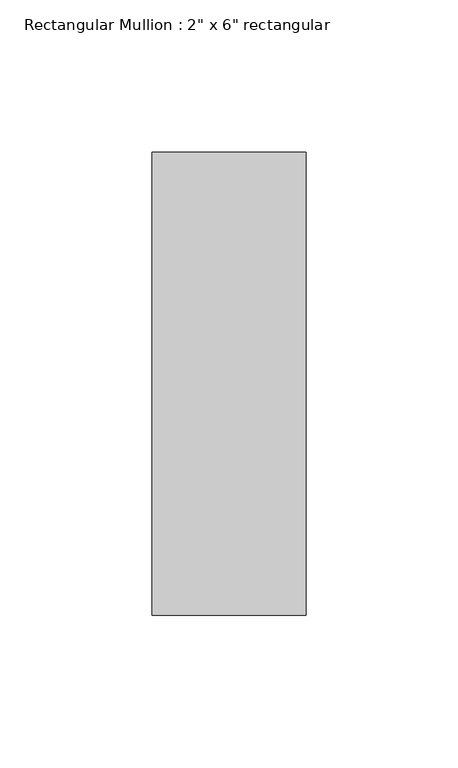
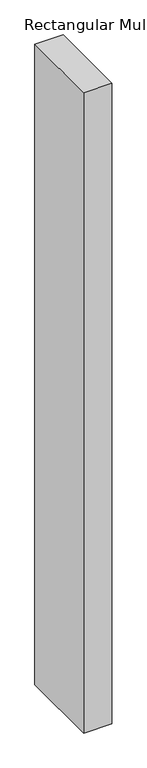
"""IFC4 building model written with IfcOpenShell, lengths in millimetres: member geometry."""

from ifc_helpers import new_model, si_unit, frame, origin, place, context, project, spatial, polyline, outline, extrude, source, transform, mapped, element, save


def member_8818ee37(model_context):
    return source(origin(), model_context, "Body", "SweptSolid", [
        extrude(outline(polyline([(25.4, 76.2), (25.4, -76.2), (-25.4, -76.2), (-25.4, 76.2), (25.4, 76.2)])), frame((0.0, 0.0, -1219.2), z_axis=(0.0, 0.0, 1.0), x_axis=(1.0, 0.0, 0.0)), (0.0, 0.0, 1.0), 1219.2),
    ])


if __name__ == "__main__":
    model = new_model("IFC4")
    model_context = context("Model", 3, world=origin())
    ifc_project = project(units=[si_unit("LENGTHUNIT", "METRE", prefix="MILLI")], contexts=[model_context])
    site = spatial("IfcSite", under=ifc_project)
    building = spatial("IfcBuilding", under=site)
    placement = place(None, origin())
    member_shape = member_8818ee37(model_context)
    element("IfcMember", 1, ObjectType="Rectangular Mullion : 2\" x 6\" rectangular", at=placement, inside=building, context=model_context, shape_type="MappedRepresentation", body=[
        mapped(member_shape, transform((0.0, 0.0, 0.0), x_axis=(1.0, 0.0, 0.0), y_axis=(0.0, 1.0, 0.0), z_axis=(0.0, 0.0, 1.0))),
    ])
    save(model, "model.ifc")
